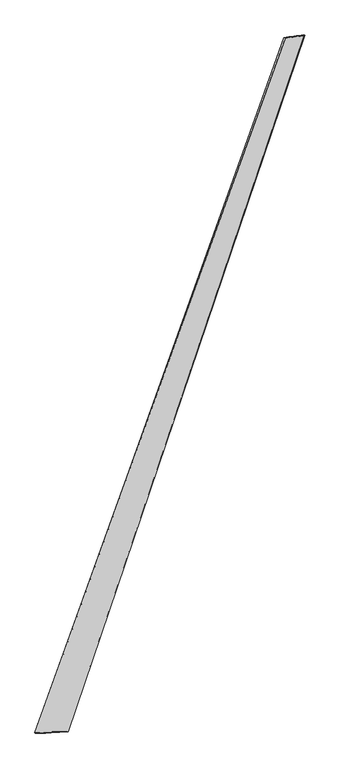
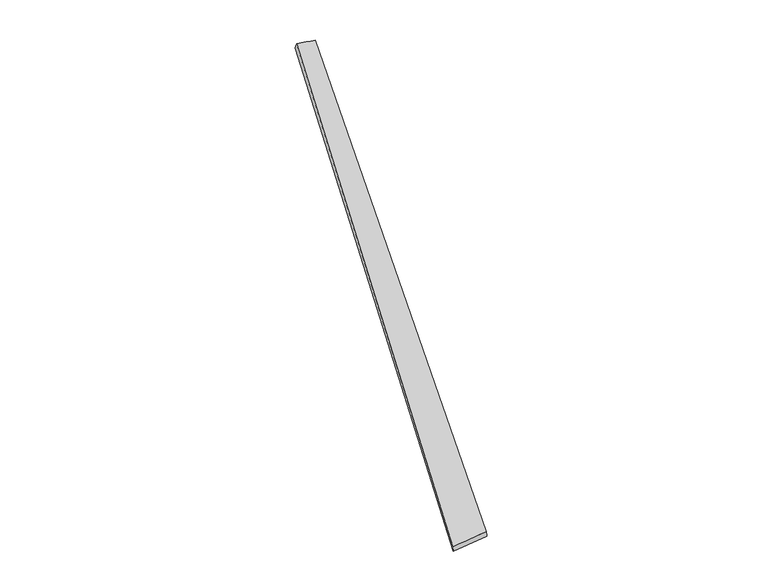
"""IFC4 building model written with IfcOpenShell, lengths in millimetres: proxy geometry."""

from ifc_helpers import new_model, si_unit, origin, place, context, project, spatial, source, transform, mapped, element, save
from ifc_brep_helpers import spline_surface, advanced_brep


def generic_models_fe774e0a(model_context):
    return source(origin(), model_context, "Body", "AdvancedBrep", [
        advanced_brep(
        [(-765.2390675, -1938.6056378, -9.431862), (-768.1554241, -1937.7430355, 20.4135863), (762.4069095, 2303.3721924, 44.8957558), (753.8827849, 2306.5958426, 16.3134645), (-566.1285858, -1930.0407681, 39.2378735), (882.426454, 2320.7343505, 12.6288969), (-563.377853, -1931.1506144, 9.3848718), (874.7341357, 2323.1604096, -16.2664743)],
        [
            (0, 1),
            (1, 2),
            (2, 3),
            (3, 0),
            (1, 4),
            (4, 5),
            (5, 2),
            (4, 6),
            (6, 7),
            (7, 5),
            (6, 0),
            (3, 7),
        ],
        [
            spline_surface(1, 1, [[(-765.2390675, -1938.6056378, -9.431862), (753.8827849, 2306.5958426, 16.3134645)], [(-768.1554241, -1937.7430355, 20.4135863), (762.4069095, 2303.3721924, 44.8957558)]], [2, 2], [2, 2], [0.0, 1.0], [0.0, 1.0]),
            spline_surface(1, 1, [[(-768.1554241, -1937.7430355, 20.4135863), (762.4069095, 2303.3721924, 44.8957558)], [(-566.1285858, -1930.0407681, 39.2378735), (882.426454, 2320.7343505, 12.6288969)]], [2, 2], [2, 2], [0.0, 1.0], [0.0, 1.0]),
            spline_surface(1, 1, [[(-566.1285858, -1930.0407681, 39.2378735), (882.426454, 2320.7343505, 12.6288969)], [(-563.377853, -1931.1506144, 9.3848718), (874.7341357, 2323.1604096, -16.2664743)]], [2, 2], [2, 2], [0.0, 1.0], [0.0, 1.0]),
            spline_surface(1, 1, [[(-563.377853, -1931.1506144, 9.3848718), (874.7341357, 2323.1604096, -16.2664743)], [(-765.2390675, -1938.6056378, -9.431862), (753.8827849, 2306.5958426, 16.3134645)]], [2, 2], [2, 2], [0.0, 1.0], [0.0, 1.0]),
            spline_surface(1, 1, [[(762.4069095, 2303.3721924, 44.8957558), (753.8827849, 2306.5958426, 16.3134645)], [(882.426454, 2320.7343505, 12.6288969), (874.7341357, 2323.1604096, -16.2664743)]], [2, 2], [2, 2], [0.0, 1.0], [0.0, 1.0]),
            spline_surface(1, 1, [[(-563.377853, -1931.1506144, 9.3848718), (-765.2390675, -1938.6056378, -9.431862)], [(-566.1285858, -1930.0407681, 39.2378735), (-768.1554241, -1937.7430355, 20.4135863)]], [2, 2], [2, 2], [0.0, 1.0], [0.0, 1.0]),
        ],
        [
            (0, [[1, 2, 3, 4]]),
            (1, [[5, 6, 7, -2]]),
            (2, [[8, 9, 10, -6]]),
            (3, [[11, -4, 12, -9]]),
            (4, [[-3, -7, -10, -12]]),
            (5, [[-11, -8, -5, -1]]),
        ],
    ),
    ])


if __name__ == "__main__":
    model = new_model("IFC4")
    model_context = context("Model", 3, world=origin())
    ifc_project = project(units=[si_unit("LENGTHUNIT", "METRE", prefix="MILLI")], contexts=[model_context])
    site = spatial("IfcSite", under=ifc_project)
    building = spatial("IfcBuilding", under=site)
    placement = place(None, origin())
    generic_models_shape = generic_models_fe774e0a(model_context)
    element("IfcBuildingElementProxy", 1, Name="Generic Models", at=placement, inside=building, context=model_context, shape_type="MappedRepresentation", body=[
        mapped(generic_models_shape, transform((0.0, 0.0, 0.0), x_axis=(1.0, 0.0, 0.0), y_axis=(0.0, 1.0, 0.0), z_axis=(0.0, 0.0, 1.0))),
    ])
    save(model, "model.ifc")
